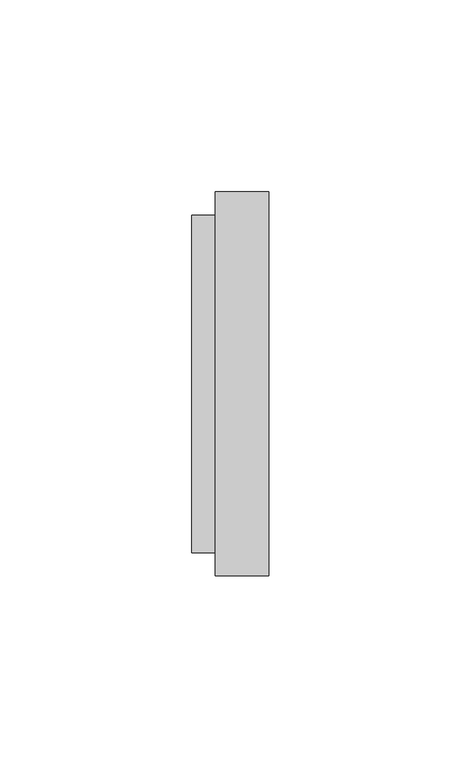
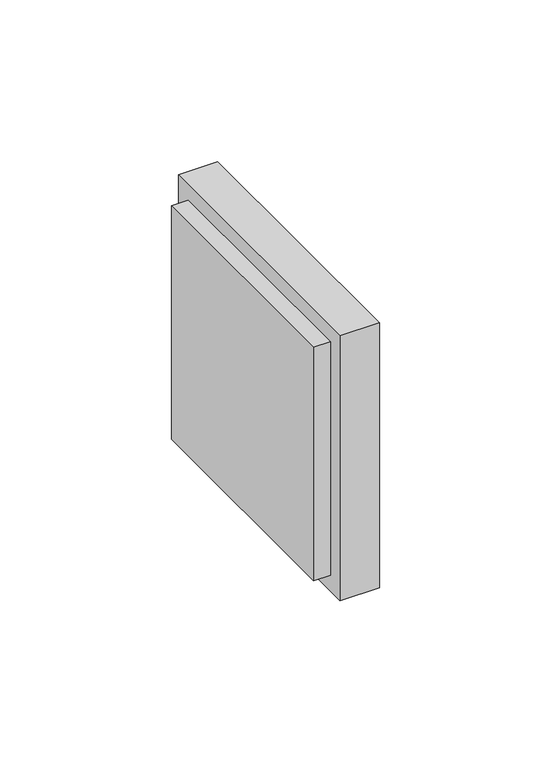
"""IFC4 building model written with IfcOpenShell, lengths in millimetres: proxy geometry."""

from ifc_helpers import new_model, si_unit, frame, origin, place, context, project, spatial, polyline, outline, extrude, source, transform, mapped, element, save


def building_element_proxy_eba6ca64(model_context):
    return source(origin(), model_context, "Body", "SweptSolid", [
        extrude(outline(polyline([(6.0, 44.0), (6.0, -44.0), (0.0, -44.0), (0.0, 44.0), (6.0, 44.0)])), frame((0.0, 0.0, -44.0), z_axis=(0.0, 0.0, 1.0), x_axis=(1.0, 0.0, 0.0)), (0.0, 0.0, 1.0), 88.0),
        extrude(outline(polyline([(20.0, 50.0), (20.0, -50.0), (6.0, -50.0), (6.0, 50.0), (20.0, 50.0)])), frame((0.0, 0.0, -50.0), z_axis=(0.0, 0.0, 1.0), x_axis=(1.0, 0.0, 0.0)), (0.0, 0.0, 1.0), 100.0),
    ])


if __name__ == "__main__":
    model = new_model("IFC4")
    model_context = context("Model", 3, world=origin())
    ifc_project = project(units=[si_unit("LENGTHUNIT", "METRE", prefix="MILLI")], contexts=[model_context])
    site = spatial("IfcSite", under=ifc_project)
    building = spatial("IfcBuilding", under=site)
    placement = place(None, origin())
    building_element_proxy_shape = building_element_proxy_eba6ca64(model_context)
    element("IfcBuildingElementProxy", 1, Name="Building Element Proxy", at=placement, inside=building, context=model_context, shape_type="MappedRepresentation", body=[
        mapped(building_element_proxy_shape, transform((0.0, 0.0, 0.0), x_axis=(1.0, 0.0, 0.0), y_axis=(0.0, 1.0, 0.0), z_axis=(0.0, 0.0, 1.0))),
    ])
    save(model, "model.ifc")
